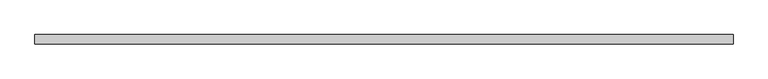
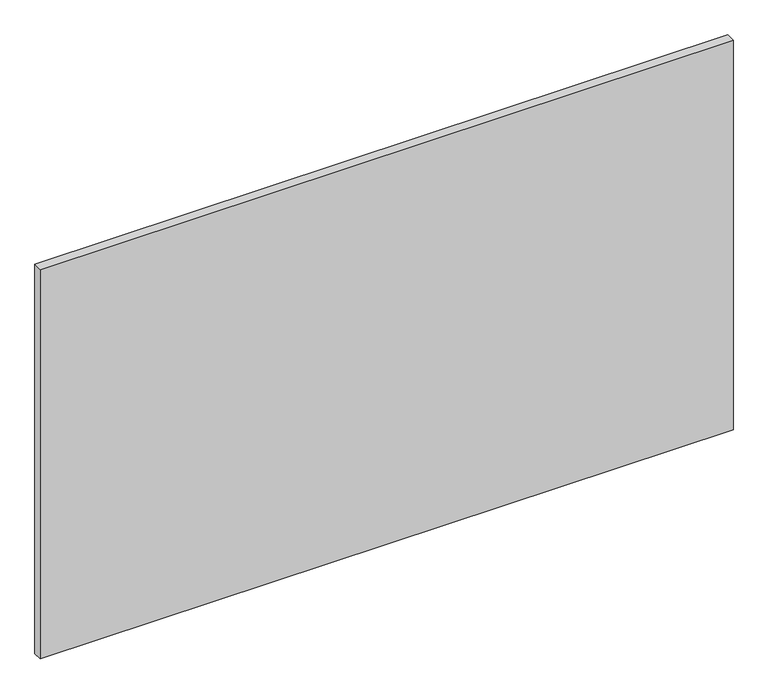
"""IFC4 building model written with IfcOpenShell, lengths in millimetres: furniture geometry."""

from ifc_helpers import new_model, si_unit, frame, origin, place, context, project, spatial, polyline, outline, extrude, source, transform, mapped, element, save


def furniture_4e5d3856(model_context):
    return source(origin(), model_context, "Body", "SweptSolid", [
        extrude(outline(polyline([(0.59944, 44.5440062), (1523.3994553, 44.5440062), (1523.3994553, 23.9700054), (0.59944, 23.9700054), (0.59944, 44.5440062)])), frame((0.0, 0.0, 139.700003), z_axis=(0.0, 0.0, 1.0), x_axis=(1.0, 0.0, 0.0)), (0.0, 0.0, 1.0), 904.6999834),
    ])


if __name__ == "__main__":
    model = new_model("IFC4")
    model_context = context("Model", 3, world=origin())
    ifc_project = project(units=[si_unit("LENGTHUNIT", "METRE", prefix="MILLI")], contexts=[model_context])
    site = spatial("IfcSite", under=ifc_project)
    building = spatial("IfcBuilding", under=site)
    placement = place(None, origin())
    furniture_shape = furniture_4e5d3856(model_context)
    element("IfcFurniture", 1, at=placement, inside=building, context=model_context, shape_type="MappedRepresentation", body=[
        mapped(furniture_shape, transform((0.0, 0.0, 0.0), x_axis=(1.0, 0.0, 0.0), y_axis=(0.0, 1.0, 0.0), z_axis=(0.0, 0.0, 1.0))),
    ])
    save(model, "model.ifc")
